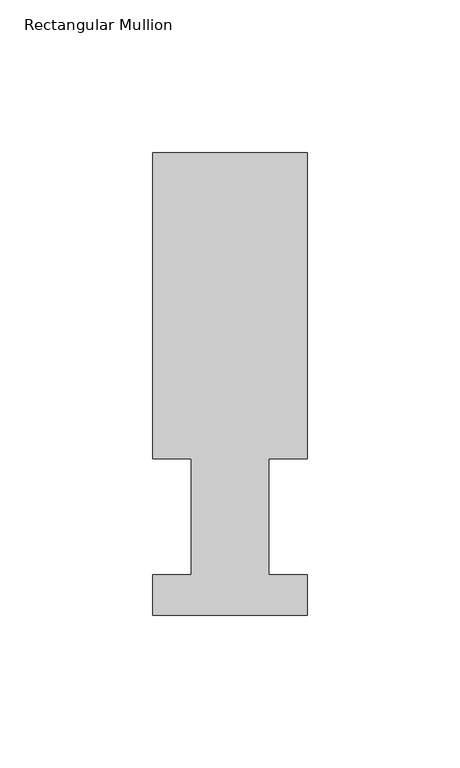
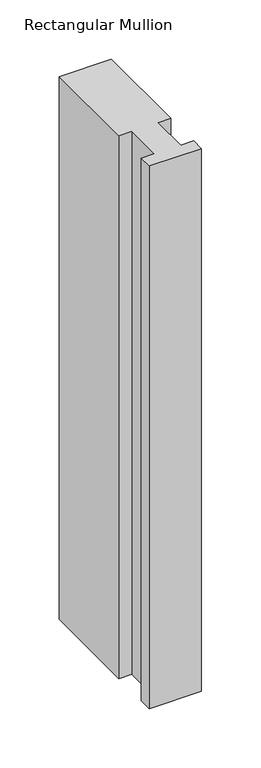
"""IFC4 building model written with IfcOpenShell, lengths in millimetres: member geometry, Rectangular Mullion."""

from ifc_helpers import new_model, si_unit, frame, origin, place, context, project, spatial, polyline, outline, extrude, source, transform, mapped, element, save


def rectangular_mullion_063b6fe0(model_context):
    return source(origin(), model_context, "Body", "SweptSolid", [
        extrude(outline(polyline([(50.8, 151.7022937), (50.8, 51.2960938), (38.1, 51.2960938), (38.1, 13.1960938), (50.8, 13.1960938), (50.8, 0.0134937), (0.0, 0.0134937), (0.0, 13.1960938), (12.7, 13.1960938), (12.7, 51.2960938), (0.0, 51.2960938), (0.0, 151.7022937), (50.8, 151.7022937)])), frame((0.0, 0.0, -558.8), z_axis=(0.0, 0.0, 1.0), x_axis=(1.0, 0.0, 0.0)), (0.0, 0.0, 1.0), 558.8),
    ])


if __name__ == "__main__":
    model = new_model("IFC4")
    model_context = context("Model", 3, world=origin())
    ifc_project = project(units=[si_unit("LENGTHUNIT", "METRE", prefix="MILLI")], contexts=[model_context])
    site = spatial("IfcSite", under=ifc_project)
    building = spatial("IfcBuilding", under=site)
    placement = place(None, origin())
    rectangular_mullion_shape = rectangular_mullion_063b6fe0(model_context)
    element("IfcMember", 1, ObjectType="Rectangular Mullion", at=placement, inside=building, context=model_context, shape_type="MappedRepresentation", body=[
        mapped(rectangular_mullion_shape, transform((0.0, 0.0, 0.0), x_axis=(1.0, 0.0, 0.0), y_axis=(0.0, 1.0, 0.0), z_axis=(0.0, 0.0, 1.0))),
    ])
    save(model, "model.ifc")
